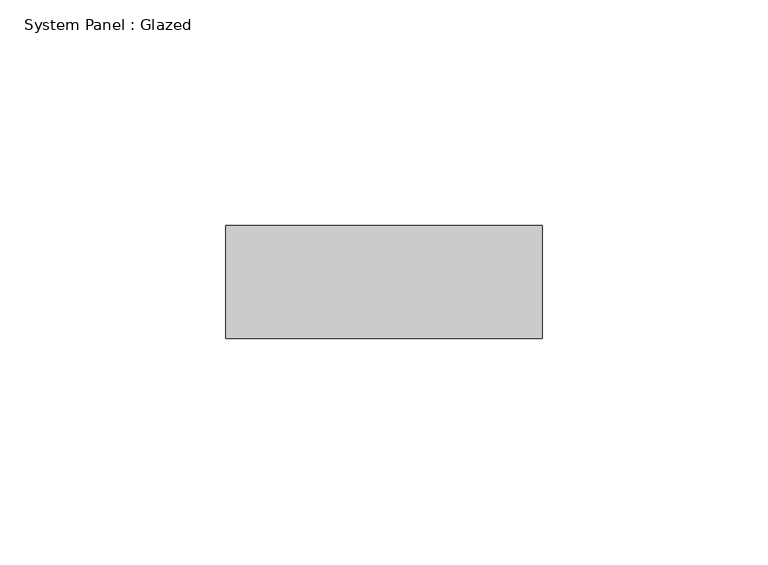
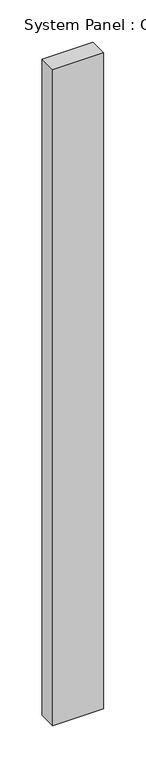
"""IFC4 building model written with IfcOpenShell, lengths in millimetres: plate geometry, System Panel : Glazed."""

from ifc_helpers import new_model, si_unit, origin, origin_with_axes, place, context, project, spatial, polyline, outline, extrude, source, transform, mapped, element, save


def system_panel_glazed_a01b2830(model_context):
    return source(origin(), model_context, "Body", "SweptSolid", [
        extrude(outline(polyline([(35.0, 24.5), (-35.0, 24.5), (-35.0, 49.5), (35.0, 49.5), (35.0, 24.5)])), origin_with_axes(), (0.0, 0.0, 1.0), 948.3333333),
    ])


if __name__ == "__main__":
    model = new_model("IFC4")
    model_context = context("Model", 3, world=origin())
    ifc_project = project(units=[si_unit("LENGTHUNIT", "METRE", prefix="MILLI")], contexts=[model_context])
    site = spatial("IfcSite", under=ifc_project)
    building = spatial("IfcBuilding", under=site)
    placement = place(None, origin())
    system_panel_glazed_shape = system_panel_glazed_a01b2830(model_context)
    element("IfcPlate", 1, ObjectType="System Panel : Glazed", at=placement, inside=building, context=model_context, shape_type="MappedRepresentation", body=[
        mapped(system_panel_glazed_shape, transform((0.0, 0.0, 0.0), x_axis=(1.0, 0.0, 0.0), y_axis=(0.0, 1.0, 0.0), z_axis=(0.0, 0.0, 1.0))),
    ])
    save(model, "model.ifc")
